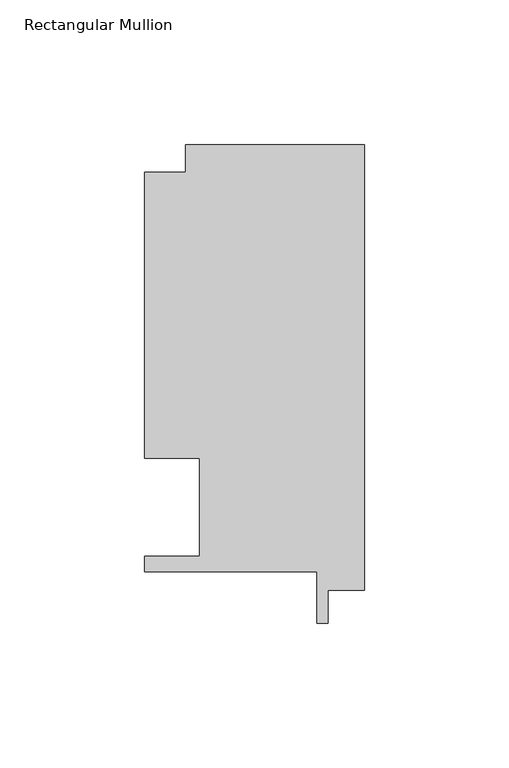
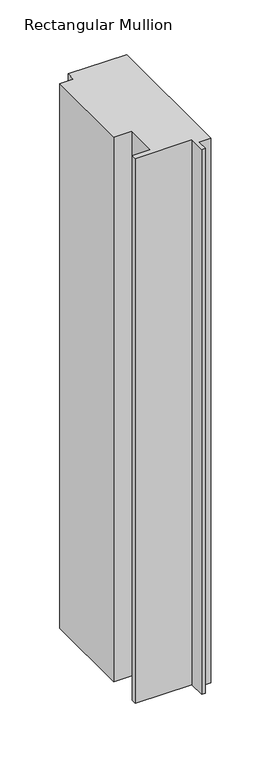
"""IFC4 building model written with IfcOpenShell, lengths in millimetres: member geometry, Rectangular Mullion."""

from ifc_helpers import new_model, si_unit, frame, origin, place, context, project, spatial, polyline, outline, extrude, source, transform, mapped, element, save


def rectangular_mullion_73f67071(model_context):
    return source(origin(), model_context, "Body", "SweptSolid", [
        extrude(outline(polyline([(0.0, 147.847839), (0.0, -6.330161), (-12.7, -6.330161), (-12.7, -17.7344489), (-16.3618359, -17.7344489), (-16.3618359, 0.019839), (-76.2, 0.019839), (-76.2, 5.353839), (-57.1499999, 5.353839), (-57.1499999, 39.3898438), (-76.1999999, 39.3898437), (-76.1999999, 138.3228438), (-61.9124999, 138.3228438), (-61.9124999, 147.847839), (0.0, 147.847839)])), frame((0.0, 0.0, -609.6), z_axis=(0.0, 0.0, 1.0), x_axis=(1.0, 0.0, 0.0)), (0.0, 0.0, 1.0), 609.6),
    ])


if __name__ == "__main__":
    model = new_model("IFC4")
    model_context = context("Model", 3, world=origin())
    ifc_project = project(units=[si_unit("LENGTHUNIT", "METRE", prefix="MILLI")], contexts=[model_context])
    site = spatial("IfcSite", under=ifc_project)
    building = spatial("IfcBuilding", under=site)
    placement = place(None, origin())
    rectangular_mullion_shape = rectangular_mullion_73f67071(model_context)
    element("IfcMember", 1, ObjectType="Rectangular Mullion", at=placement, inside=building, context=model_context, shape_type="MappedRepresentation", body=[
        mapped(rectangular_mullion_shape, transform((0.0, 0.0, 0.0), x_axis=(1.0, 0.0, 0.0), y_axis=(0.0, 1.0, 0.0), z_axis=(0.0, 0.0, 1.0))),
    ])
    save(model, "model.ifc")
